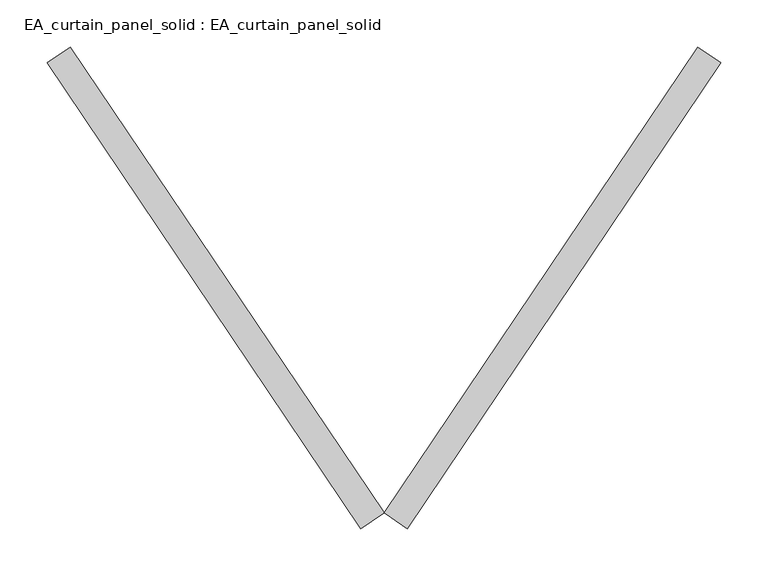
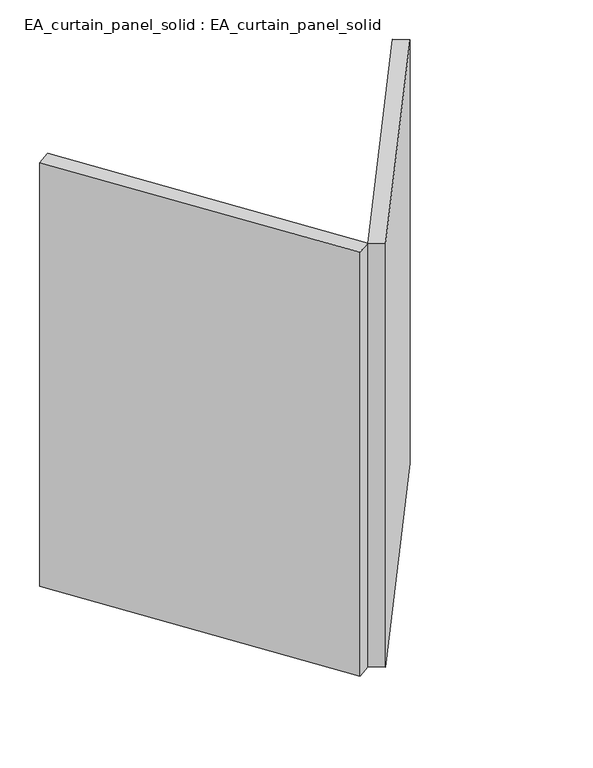
"""IFC4 building model written with IfcOpenShell, lengths in millimetres: plate geometry, EA_curtain_panel_solid : EA_curtain_panel_solid."""

from ifc_helpers import new_model, si_unit, origin, origin_with_axes, place, context, project, spatial, polyline, outline, extrude, source, transform, mapped, element, save


def ea_curtain_panel_solid_ea_curtain_panel_solid_bd2e6bdc(model_context):
    return source(origin(), model_context, "Body", "SweptSolid", [
        extrude(outline(polyline([(-214.0868701, -495.6412523), (-238.9752054, -478.8910055), (94.5992674, 16.7502468), (119.4876027, 0.0), (-214.0868701, -495.6412523)])), origin_with_axes(), (0.0, 0.0, 1.0), 866.6666667),
        extrude(outline(polyline([(-263.8635406, -495.6412523), (-597.4380135, 0.0), (-572.5496782, 16.7502468), (-238.9752054, -478.8910055), (-263.8635406, -495.6412523)])), origin_with_axes(), (0.0, 0.0, 1.0), 866.6666667),
    ])


if __name__ == "__main__":
    model = new_model("IFC4")
    model_context = context("Model", 3, world=origin())
    ifc_project = project(units=[si_unit("LENGTHUNIT", "METRE", prefix="MILLI")], contexts=[model_context])
    site = spatial("IfcSite", under=ifc_project)
    building = spatial("IfcBuilding", under=site)
    placement = place(None, origin())
    ea_curtain_panel_solid_ea_curtain_panel_solid_shape = ea_curtain_panel_solid_ea_curtain_panel_solid_bd2e6bdc(model_context)
    element("IfcPlate", 1, ObjectType="EA_curtain_panel_solid : EA_curtain_panel_solid", at=placement, inside=building, context=model_context, shape_type="MappedRepresentation", body=[
        mapped(ea_curtain_panel_solid_ea_curtain_panel_solid_shape, transform((0.0, 0.0, 0.0), x_axis=(1.0, 0.0, 0.0), y_axis=(0.0, 1.0, 0.0), z_axis=(0.0, 0.0, 1.0))),
    ])
    save(model, "model.ifc")
